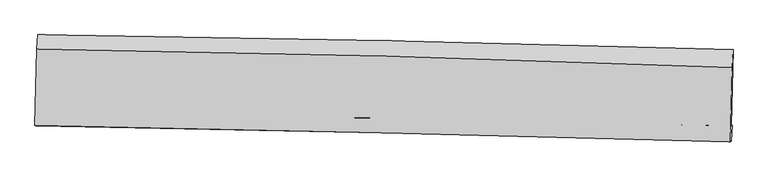
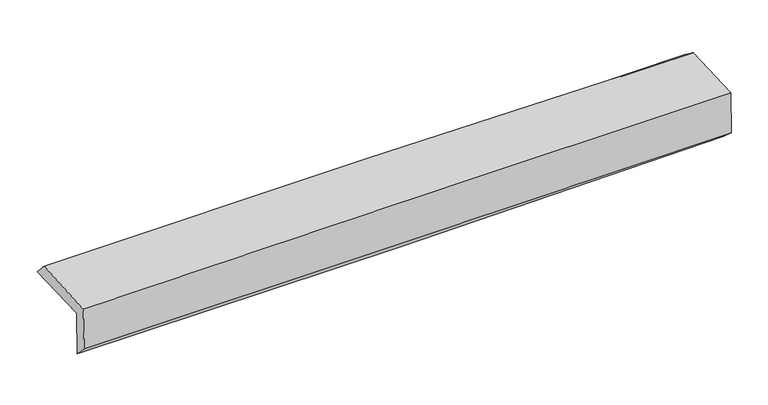
"""IFC4 building model written with IfcOpenShell, lengths in millimetres: proxy geometry."""

from ifc_helpers import new_model, si_unit, frame, origin, place, context, project, spatial, source, transform, mapped, element, save
from ifc_brep_helpers import plane_surface, spline_curve, spline_surface, advanced_brep


def generic_models_c8646990(model_context):
    return source(origin(), model_context, "Body", "AdvancedBrep", [
        advanced_brep(
        [(-3026.7534733, -1750.5427074, 1974.9219835), (-3009.5993613, -1079.8438574, 1979.5591307), (3017.6287077, -1210.0985579, 2110.3309659), (3000.7541561, -1869.8670336, 2105.7693902), (-3018.277354, -1747.9571288, 1569.5984643), (3009.2214866, -1867.284136, 1700.8661511), (-3024.0156719, -1869.4671432, 1695.5431415), (3003.1263248, -2006.2414123, 1822.3815482), (-3032.1714054, -1868.5979643, 2089.7074829), (2994.7008083, -2008.8115548, 2225.285265), (-3015.4967247, -1203.7226612, 2110.2329763), (3011.1291598, -1366.4888, 2229.7262227)],
        [
            (0, 1),
            (1, 2, spline_curve(3, [(-3009.5993613, -1079.8438574, 1979.5591307), (-2004.657738841, -1093.16951195, 1992.176197191), (-999.916703594, -1110.686934238, 2009.382421288), (1009.159317525, -1154.105208185, 2052.973077317), (2013.494305114, -1180.006019753, 2079.357465429), (3017.6287077, -1210.0985579, 2110.3309659)], [4, 2, 4], [0.0, 9.892069436664453, 19.78409085693375])),
            (2, 3),
            (3, 0, spline_curve(3, [(3000.7541561, -1869.8670336, 2105.7693902), (1996.479973316, -1845.239678027, 2074.758103855), (992.051799025, -1822.982324726, 2048.348525527), (-1017.11740912, -1783.20752654, 2004.732678416), (-2021.858444796, -1765.690104252, 1987.526454749), (-3026.7534733, -1750.5427074, 1974.9219835)], [4, 2, 4], [0.0, 9.892021420269298, 19.78409085693375])),
            (4, 0),
            (3, 5),
            (5, 4, spline_curve(3, [(3009.2214866, -1867.284136, 1700.8661511), (2004.803547075, -1849.017505198, 1668.898602509), (1000.304226377, -1829.94029846, 1641.97586839), (-1008.862053064, -1790.164637404, 1598.219924014), (-2013.529012635, -1769.466174837, 1581.386762308), (-3018.277354, -1747.9571288, 1569.5984643)], [4, 2, 4], [0.0, 9.892024443109216, 19.78409690262826])),
            (6, 4),
            (5, 7),
            (7, 6, spline_curve(3, [(3003.1263248, -2006.2414123, 1822.3815482), (1998.842409898, -1979.307276899, 1794.698908995), (994.439838466, -1954.442376044, 1770.287739815), (-1014.607492465, -1908.850932905, 1728.008239372), (-2019.2522534, -1888.124410736, 1710.139939324), (-3024.0156719, -1869.4671432, 1695.5431415)], [4, 2, 4], [0.0, 9.891911583539693, 19.783871182941386])),
            (8, 6),
            (7, 9),
            (9, 8, spline_curve(3, [(2994.7008083, -2008.8115548, 2225.285265), (1990.379379782, -1980.139386229, 2201.565228586), (985.980533235, -1954.118858225, 2178.407088055), (-1022.976870416, -1907.380968941, 2133.214488262), (-2027.535428855, -1886.663633553, 2111.180034889), (-3032.1714054, -1868.5979643, 2089.7074829)], [4, 2, 4], [0.0, 9.891803937409172, 19.783655890157824])),
            (10, 8),
            (9, 11),
            (11, 10, spline_curve(3, [(3011.1291598, -1366.4888, 2229.7262227), (2006.999863608, -1326.547716627, 2210.71525062), (1002.71761093, -1293.013347299, 2191.252019423), (-1006.157682512, -1238.757905622, 2151.420941706), (-2010.750724647, -1218.036895317, 2131.053090944), (-3015.4967247, -1203.7226612, 2110.2329763)], [4, 2, 4], [0.0, 9.89182940782678, 19.783706831116675])),
            (1, 10),
            (11, 2),
        ],
        [
            spline_surface(3, 3, [[(-3026.7534733, -1750.5427074, 1974.9219835), (-2021.858444697, -1765.690104256, 1987.52645476), (-1017.117409208, -1783.207526427, 2004.73267852), (992.051799113, -1822.982324838, 2048.348525423), (1996.479973392, -1845.239678062, 2074.758103905), (3000.7541561, -1869.8670336, 2105.7693902)], [(-3021.035435976, -1526.976424094, 1976.467699255), (-2016.124876125, -1541.516573516, 1989.076368965), (-1011.383840636, -1559.033995688, 2006.282592725), (997.754305263, -1600.023286017, 2049.890042748), (2002.151417272, -1623.495125264, 2076.29122439), (3006.379006612, -1649.944208364, 2107.289915436)], [(-3015.317398624, -1303.410140706, 1978.013414945), (-2010.391307524, -1317.343042696, 1990.626283106), (-1005.650272135, -1334.860464868, 2007.832506966), (1003.456811343, -1377.064247116, 2051.431560109), (2007.822861217, -1401.750572475, 2077.824344866), (3012.003857188, -1430.021383136, 2108.810440664)], [(-3009.5993613, -1079.8438574, 1979.5591307), (-2004.657738952, -1093.169511956, 1992.176197311), (-999.916703563, -1110.686934128, 2009.382421171), (1009.159317494, -1154.105208295, 2052.973077433), (2013.494305097, -1180.006019677, 2079.357465352), (3017.6287077, -1210.0985579, 2110.3309659)]], [4, 4], [4, 2, 4], [0.0, 2.201227766206396], [0.0, 9.892069436664453, 19.78409085693375]),
            spline_surface(3, 3, [[(-3018.277354, -1747.9571288, 1569.5984643), (-2013.52901263, -1769.466174814, 1581.386762206), (-1008.862053041, -1790.164637334, 1598.219923911), (1000.304226354, -1829.94029853, 1641.975868492), (2004.803546995, -1849.01750508, 1668.898602376), (3009.2214866, -1867.284136, 1700.8661511)], [(-3021.102727108, -1748.818988311, 1704.706304011), (-2016.305489994, -1768.207484605, 1716.766659702), (-1011.613838455, -1787.845600367, 1733.724175465), (997.553417249, -1827.620973967, 1777.43342082), (2002.029022483, -1847.758229389, 1804.185102854), (3006.399043123, -1868.145101848, 1835.833897435)], [(-3023.928100192, -1749.680847889, 1839.814143789), (-2019.081967333, -1766.948794464, 1852.146557264), (-1014.365623794, -1785.526563395, 1869.228426967), (994.802608218, -1825.301649401, 1912.890973096), (1999.254497904, -1846.498953753, 1939.471603427), (3003.576599577, -1869.006067752, 1970.801643865)], [(-3026.7534733, -1750.5427074, 1974.9219835), (-2021.858444697, -1765.690104256, 1987.52645476), (-1017.117409208, -1783.207526427, 2004.73267852), (992.051799113, -1822.982324838, 2048.348525423), (1996.479973392, -1845.239678062, 2074.758103905), (3000.7541561, -1869.8670336, 2105.7693902)]], [4, 4], [4, 2, 4], [0.0, 1.3339436991455975], [0.0, 9.892072459519044, 19.78409690262826]),
            spline_surface(3, 3, [[(-3024.0156719, -1869.4671432, 1695.5431415), (-2019.25225353, -1888.124410715, 1710.139939478), (-1014.607492531, -1908.850932914, 1728.008239267), (994.439838532, -1954.442376035, 1770.28773992), (1998.842409802, -1979.307276871, 1794.698909045), (3003.1263248, -2006.2414123, 1822.3815482)], [(-3022.102899269, -1828.963805078, 1653.561582446), (-2017.344506566, -1848.571665426, 1667.222213734), (-1012.692346016, -1869.288834371, 1684.74546747), (996.394634492, -1912.941683517, 1727.517116099), (2000.829455533, -1935.877352951, 1752.765473515), (3005.1580454, -1959.92232021, 1781.876415859)], [(-3020.190126631, -1788.460466922, 1611.580023354), (-2015.436759594, -1809.018920103, 1624.30448795), (-1010.777199557, -1829.726735877, 1641.482695708), (998.349430394, -1871.440991047, 1684.746492313), (2002.816501264, -1892.447429, 1710.832037907), (3007.189766, -1913.60322809, 1741.371283441)], [(-3018.277354, -1747.9571288, 1569.5984643), (-2013.52901263, -1769.466174814, 1581.386762206), (-1008.862053041, -1790.164637334, 1598.219923911), (1000.304226354, -1829.94029853, 1641.975868492), (2004.803546995, -1849.01750508, 1668.898602376), (3009.2214866, -1867.284136, 1700.8661511)]], [4, 4], [4, 2, 4], [0.0, 0.5820395589612932], [0.0, 9.891959599401693, 19.783871182941386]),
            spline_surface(3, 3, [[(-3032.1714054, -1868.5979643, 2089.7074829), (-2027.535428742, -1886.663633641, 2111.180035031), (-1022.976870504, -1907.380968961, 2133.214488412), (985.980533323, -1954.118858205, 2178.407087904), (1990.379379629, -1980.139386383, 2201.565228548), (2994.7008083, -2008.8115548, 2225.285265)], [(-3029.452827553, -1868.887690604, 1958.319369099), (-2024.774370324, -1887.150559336, 1977.500003179), (-1020.187077846, -1907.870956943, 1998.145738709), (988.800301726, -1954.226697479, 2042.367305255), (1993.200389672, -1979.862016547, 2065.943122035), (2997.509313785, -2007.954840635, 2090.984026055)], [(-3026.734249747, -1869.177416896, 1826.931255301), (-2022.013311948, -1887.63748502, 1843.81997133), (-1017.397285189, -1908.360944932, 1863.07698897), (991.620070129, -1954.334536761, 1906.327522569), (1996.02139976, -1979.584646706, 1930.321015558), (3000.317819315, -2007.098126465, 1956.682787145)], [(-3024.0156719, -1869.4671432, 1695.5431415), (-2019.25225353, -1888.124410715, 1710.139939478), (-1014.607492531, -1908.850932914, 1728.008239267), (994.439838532, -1954.442376035, 1770.28773992), (1998.842409802, -1979.307276871, 1794.698909045), (3003.1263248, -2006.2414123, 1822.3815482)]], [4, 4], [4, 2, 4], [0.0, 1.3344843243430242], [0.0, 9.891851952748652, 19.783655890157824]),
            spline_surface(3, 3, [[(-3015.4967247, -1203.7226612, 2110.2329763), (-2010.750724692, -1218.036895239, 2131.053090814), (-1006.157682468, -1238.757905548, 2151.420941699), (1002.717610886, -1293.013347373, 2191.25201943), (2006.999863485, -1326.547716609, 2210.715250701), (3011.1291598, -1366.4888, 2229.7262227)], [(-3021.054951606, -1425.347762243, 2103.39114516), (-2016.345626047, -1440.912474716, 2124.42873888), (-1011.764078492, -1461.632260007, 2145.352123932), (997.138585019, -1513.381850971, 2186.970375583), (2001.4597022, -1544.411606518, 2207.665243326), (3005.653042634, -1580.596384917, 2228.245903475)], [(-3026.613178494, -1646.972863257, 2096.54931404), (-2021.940527386, -1663.788054164, 2117.804386965), (-1017.370474479, -1684.506614502, 2139.28330618), (991.55955919, -1733.750354606, 2182.688731751), (1995.919540914, -1762.275496474, 2204.615235924), (3000.176925466, -1794.703969883, 2226.765584225)], [(-3032.1714054, -1868.5979643, 2089.7074829), (-2027.535428742, -1886.663633641, 2111.180035031), (-1022.976870504, -1907.380968961, 2133.214488412), (985.980533323, -1954.118858205, 2178.407087904), (1990.379379629, -1980.139386383, 2201.565228548), (2994.7008083, -2008.8115548, 2225.285265)]], [4, 4], [4, 2, 4], [0.0, 2.1826022527954563], [0.0, 9.891877423289895, 19.783706831116675]),
            spline_surface(3, 3, [[(-3009.5993613, -1079.8438574, 1979.5591307), (-2004.657738952, -1093.169511956, 1992.176197311), (-999.916703563, -1110.686934128, 2009.382421171), (1009.159317494, -1154.105208295, 2052.973077433), (2013.494305097, -1180.006019677, 2079.357465352), (3017.6287077, -1210.0985579, 2110.3309659)], [(-3011.565149088, -1121.136791971, 2023.117079228), (-2006.688734186, -1134.791973021, 2038.46849514), (-1001.997029869, -1153.377257937, 2056.72859468), (1007.012081953, -1200.407921323, 2099.066058099), (2011.32949124, -1228.853252013, 2123.143393808), (3015.462191747, -1262.228638625, 2150.12938484)], [(-3013.530936912, -1162.429726629, 2066.675027772), (-2008.719729457, -1176.414434174, 2084.760792984), (-1004.077356161, -1196.06758174, 2104.07476819), (1004.864846427, -1246.710634345, 2145.159038765), (2009.164677342, -1277.700484274, 2166.929322245), (3013.295675753, -1314.358719275, 2189.92780376)], [(-3015.4967247, -1203.7226612, 2110.2329763), (-2010.750724692, -1218.036895239, 2131.053090814), (-1006.157682468, -1238.757905548, 2151.420941699), (1002.717610886, -1293.013347373, 2191.25201943), (2006.999863485, -1326.547716609, 2210.715250701), (3011.1291598, -1366.4888, 2229.7262227)]], [4, 4], [4, 2, 4], [0.0, 0.6353669786004547], [0.0, 9.891953246783036, 19.783858477734906]),
            plane_surface(frame((3006.0934405, -1721.4652491, 2032.3932572), z_axis=(0.9994544515121547, -0.02570589203852456, 0.020736597286958588), x_axis=(0.020906988721348125, 0.006377524801603853, -0.999761083959568))),
            plane_surface(frame((-3021.0523318, -1586.6885771, 1903.2605299), z_axis=(-0.9994544515121548, 0.025705892038525257, -0.020736597286959486), x_axis=(-0.025567502325085176, -0.999649205617605, -0.0069114783475141515))),
        ],
        [
            (0, [[1, 2, 3, 4]]),
            (1, [[5, -4, 6, 7]]),
            (2, [[8, -7, 9, 10]]),
            (3, [[11, -10, 12, 13]]),
            (4, [[14, -13, 15, 16]]),
            (5, [[17, -16, 18, -2]]),
            (6, [[-12, -9, -6, -3, -18, -15]]),
            (7, [[-1, -5, -8, -11, -14, -17]]),
        ],
    ),
    ])


if __name__ == "__main__":
    model = new_model("IFC4")
    model_context = context("Model", 3, world=origin())
    ifc_project = project(units=[si_unit("LENGTHUNIT", "METRE", prefix="MILLI")], contexts=[model_context])
    site = spatial("IfcSite", under=ifc_project)
    building = spatial("IfcBuilding", under=site)
    placement = place(None, origin())
    generic_models_shape = generic_models_c8646990(model_context)
    element("IfcBuildingElementProxy", 1, Name="Generic Models", at=placement, inside=building, context=model_context, shape_type="MappedRepresentation", body=[
        mapped(generic_models_shape, transform((0.0, 0.0, 0.0), x_axis=(1.0, 0.0, 0.0), y_axis=(0.0, 1.0, 0.0), z_axis=(0.0, 0.0, 1.0))),
    ])
    save(model, "model.ifc")
